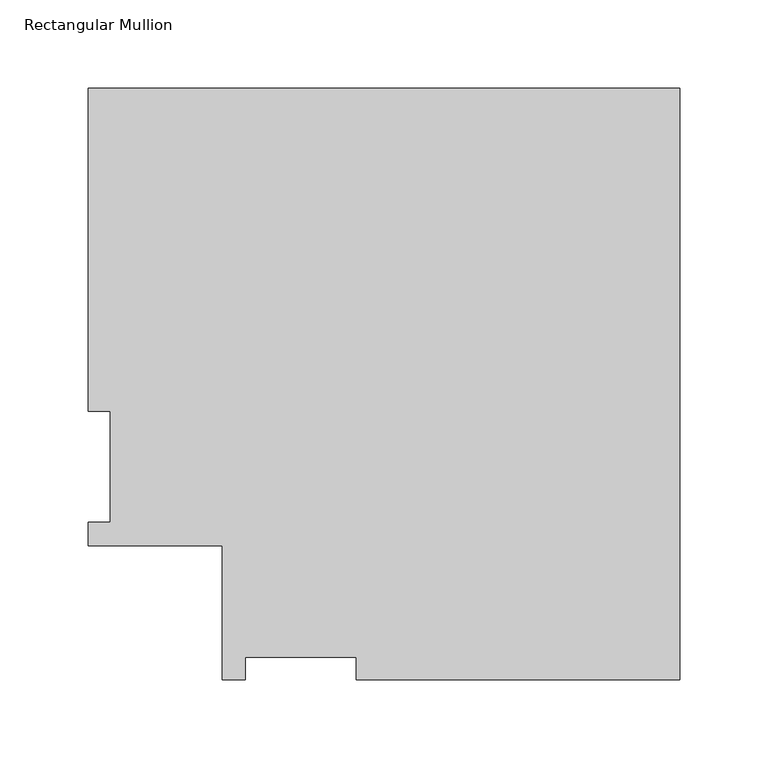
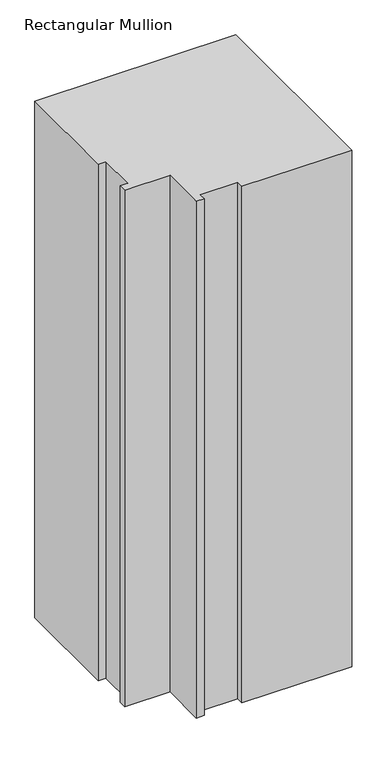
"""IFC4 building model written with IfcOpenShell, lengths in millimetres: member geometry, Rectangular Mullion."""

from ifc_helpers import new_model, si_unit, frame, origin, place, context, project, spatial, polyline, outline, extrude, source, transform, mapped, element, save


def rectangular_mullion_9147fba6(model_context):
    return source(origin(), model_context, "Body", "SweptSolid", [
        extrude(outline(polyline([(-183.6678886, -76.2333811), (-183.6678886, -63.5333811), (-246.8178885, -63.5333811), (-246.8178885, -76.2333811), (-260.0004885, -76.2333811), (-260.0004885, -0.0333811), (-336.2004885, -0.0333811), (-336.2004885, 13.1492189), (-323.5004885, 13.1492189), (-323.5004885, 76.2992187), (-336.2004885, 76.2992187), (-336.2004885, 259.9671074), (0.0, 259.9671074), (0.0, -76.2333811), (-183.6678886, -76.2333811)])), frame((0.0, 0.0, -914.4), z_axis=(0.0, 0.0, 1.0), x_axis=(1.0, 0.0, 0.0)), (0.0, 0.0, 1.0), 914.4),
    ])


if __name__ == "__main__":
    model = new_model("IFC4")
    model_context = context("Model", 3, world=origin())
    ifc_project = project(units=[si_unit("LENGTHUNIT", "METRE", prefix="MILLI")], contexts=[model_context])
    site = spatial("IfcSite", under=ifc_project)
    building = spatial("IfcBuilding", under=site)
    placement = place(None, origin())
    rectangular_mullion_shape = rectangular_mullion_9147fba6(model_context)
    element("IfcMember", 1, ObjectType="Rectangular Mullion", at=placement, inside=building, context=model_context, shape_type="MappedRepresentation", body=[
        mapped(rectangular_mullion_shape, transform((0.0, 0.0, 0.0), x_axis=(1.0, 0.0, 0.0), y_axis=(0.0, 1.0, 0.0), z_axis=(0.0, 0.0, 1.0))),
    ])
    save(model, "model.ifc")
